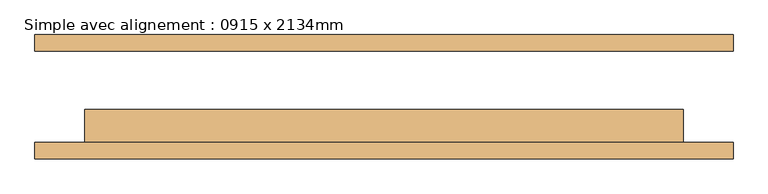
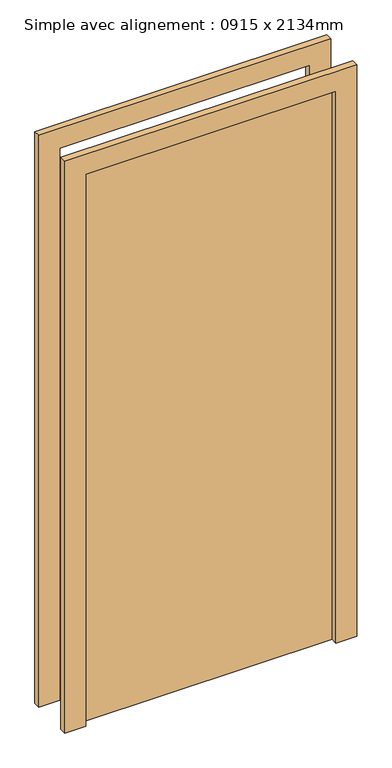
"""IFC4 building model written with IfcOpenShell, lengths in millimetres: door geometry, Simple avec alignement : 0915 x 2134mm."""

from ifc_helpers import new_model, si_unit, frame, origin, origin_with_axes, place, context, project, spatial, polyline, outline, extrude, source, transform, mapped, element, save


def simple_avec_alignement_0915_x_2134mm_c9055ba1(model_context):
    return source(origin(), model_context, "Body", "SweptSolid", [
        extrude(outline(polyline([(2210.0, -533.5), (0.0, -533.5), (0.0, -457.5), (2134.0, -457.5), (2134.0, 457.5), (0.0, 457.5), (0.0, 533.5), (2210.0, 533.5), (2210.0, -533.5)])), frame((0.0, -95.0, 0.0), z_axis=(0.0, 1.0, 0.0), x_axis=(0.0, 0.0, 1.0)), (0.0, 0.0, 1.0), 25.0),
        extrude(outline(polyline([(2210.0, 533.5), (2210.0, -533.5), (0.0, -533.5), (0.0, -457.5), (2134.0, -457.5), (2134.0, 457.5), (0.0, 457.5), (0.0, 533.5), (2210.0, 533.5)])), frame((0.0, 70.0, 0.0), z_axis=(0.0, 1.0, 0.0), x_axis=(0.0, 0.0, 1.0)), (0.0, 0.0, 1.0), 25.0),
        extrude(outline(polyline([(457.5, -19.0), (457.5, -70.0), (-457.5, -70.0), (-457.5, -19.0), (457.5, -19.0)])), origin_with_axes(), (0.0, 0.0, 1.0), 2134.0),
    ])


if __name__ == "__main__":
    model = new_model("IFC4")
    model_context = context("Model", 3, world=origin())
    ifc_project = project(units=[si_unit("LENGTHUNIT", "METRE", prefix="MILLI")], contexts=[model_context])
    site = spatial("IfcSite", under=ifc_project)
    building = spatial("IfcBuilding", under=site)
    placement = place(None, origin())
    simple_avec_alignement_0915_x_2134mm_shape = simple_avec_alignement_0915_x_2134mm_c9055ba1(model_context)
    element("IfcDoor", 1, ObjectType="Simple avec alignement : 0915 x 2134mm", at=placement, inside=building, context=model_context, shape_type="MappedRepresentation", body=[
        mapped(simple_avec_alignement_0915_x_2134mm_shape, transform((0.0, 0.0, 0.0), x_axis=(1.0, 0.0, 0.0), y_axis=(0.0, 1.0, 0.0), z_axis=(0.0, 0.0, 1.0))),
    ])
    save(model, "model.ifc")
